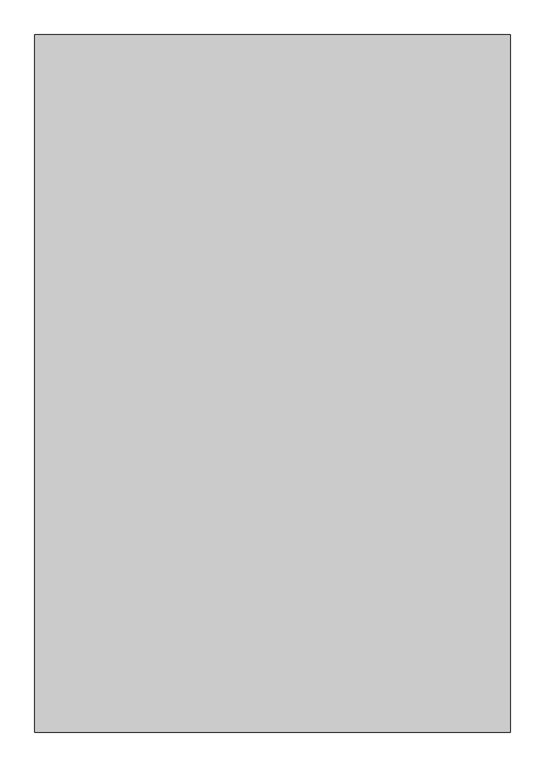
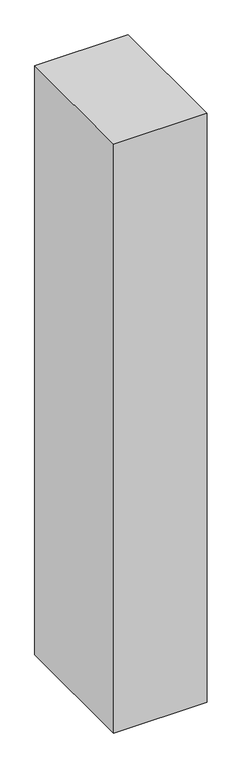
"""IFC4 building model written with IfcOpenShell, lengths in millimetres: proxy geometry."""

from ifc_helpers import new_model, si_unit, frame, origin, place, context, project, spatial, polyline, outline, extrude, source, transform, mapped, element, save


def generic_models_b843d34d(model_context):
    return source(origin(), model_context, "Body", "SweptSolid", [
        extrude(outline(polyline([(1500.0, 1790.3998032), (1500.0, -409.6001968), (0.0, -409.6001968), (0.0, 1790.3998032), (1500.0, 1790.3998032)])), frame((0.0, 0.0, 1500.0), z_axis=(0.0, 0.0, 1.0), x_axis=(1.0, 0.0, 0.0)), (0.0, 0.0, 1.0), 10000.0),
    ])


if __name__ == "__main__":
    model = new_model("IFC4")
    model_context = context("Model", 3, world=origin())
    ifc_project = project(units=[si_unit("LENGTHUNIT", "METRE", prefix="MILLI")], contexts=[model_context])
    site = spatial("IfcSite", under=ifc_project)
    building = spatial("IfcBuilding", under=site)
    placement = place(None, origin())
    generic_models_shape = generic_models_b843d34d(model_context)
    element("IfcBuildingElementProxy", 1, Name="Generic Models", at=placement, inside=building, context=model_context, shape_type="MappedRepresentation", body=[
        mapped(generic_models_shape, transform((0.0, 0.0, 0.0), x_axis=(1.0, 0.0, 0.0), y_axis=(0.0, 1.0, 0.0), z_axis=(0.0, 0.0, 1.0))),
    ])
    save(model, "model.ifc")
